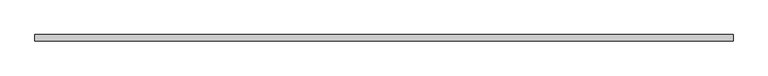
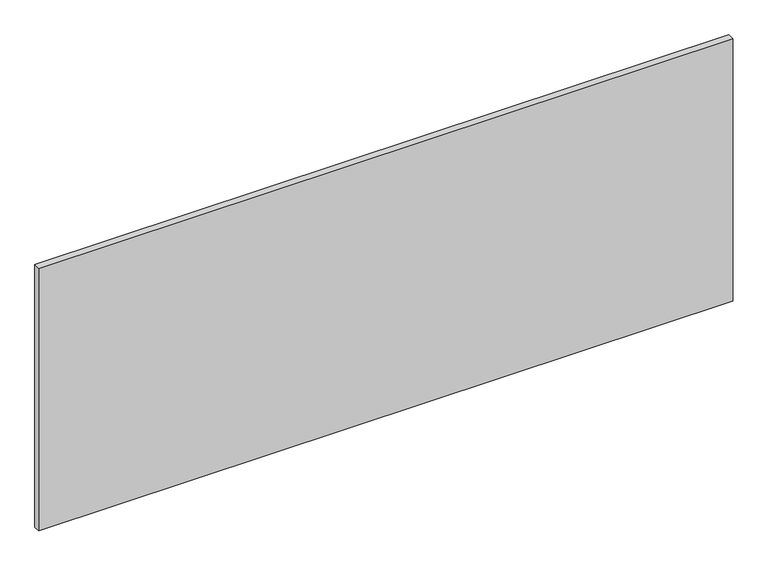
"""IFC4 building model written with IfcOpenShell, lengths in millimetres: furniture geometry."""

from ifc_helpers import new_model, si_unit, frame, origin, place, context, project, spatial, polyline, outline, extrude, source, transform, mapped, element, save


def furniture_2a5378dc(model_context):
    return source(origin(), model_context, "Body", "SweptSolid", [
        extrude(outline(polyline([(762.0, -34.1082318), (762.0, -48.296513), (-762.0, -48.296513), (-762.0, -34.1082318), (762.0, -34.1082318)])), frame((0.0, 0.0, 762.0), z_axis=(0.0, 0.0, 1.0), x_axis=(1.0, 0.0, 0.0)), (0.0, 0.0, 1.0), 609.6),
    ])


if __name__ == "__main__":
    model = new_model("IFC4")
    model_context = context("Model", 3, world=origin())
    ifc_project = project(units=[si_unit("LENGTHUNIT", "METRE", prefix="MILLI")], contexts=[model_context])
    site = spatial("IfcSite", under=ifc_project)
    building = spatial("IfcBuilding", under=site)
    placement = place(None, origin())
    furniture_shape = furniture_2a5378dc(model_context)
    element("IfcFurniture", 1, at=placement, inside=building, context=model_context, shape_type="MappedRepresentation", body=[
        mapped(furniture_shape, transform((0.0, 0.0, 0.0), x_axis=(1.0, 0.0, 0.0), y_axis=(0.0, 1.0, 0.0), z_axis=(0.0, 0.0, 1.0))),
    ])
    save(model, "model.ifc")
